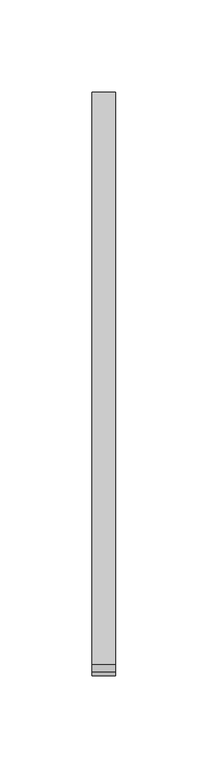
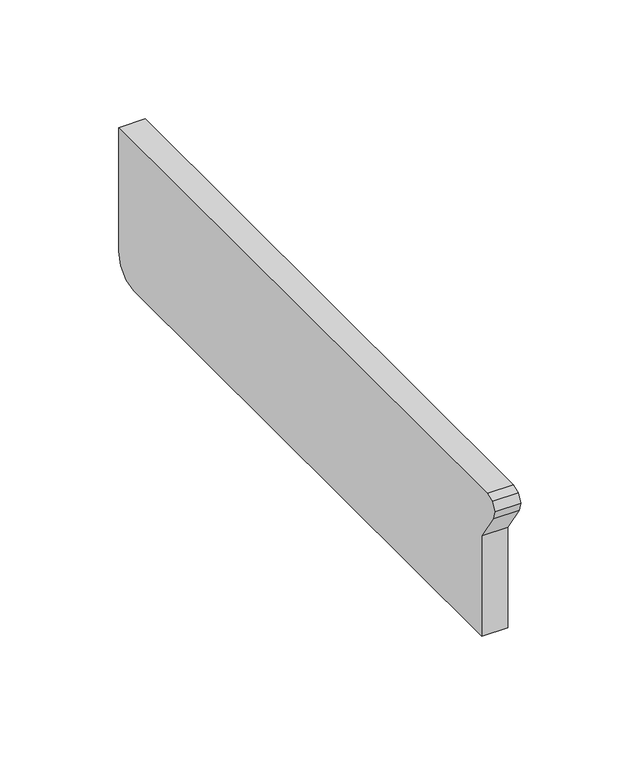
"""IFC4 building model written with IfcOpenShell, lengths in millimetres: furniture geometry."""

from ifc_helpers import new_model, si_unit, frame, origin, place, context, project, spatial, polyline, outline, extrude, source, transform, mapped, element, save


def furniture_332e236b(model_context):
    return source(origin(), model_context, "Body", "SweptSolid", [
        extrude(outline(polyline([(-34.4332919, 911.8203125), (-326.8573867, 911.8203125), (-326.8573867, 963.3644501), (-336.5789227, 977.9923817), (-337.6843422, 982.3717837), (-335.59875, 986.378198), (-331.377278, 987.9845861), (-21.75256, 987.9845861), (-21.75256, 924.4483941), (-23.4347672, 918.1703064), (-28.0832818, 913.5217918), (-34.4332919, 911.8203125)])), frame((12.3877049, 0.0, 0.0), z_axis=(1.0, 0.0, 0.0), x_axis=(0.0, 1.0, 0.0)), (0.0, 0.0, 1.0), 12.7),
    ])


if __name__ == "__main__":
    model = new_model("IFC4")
    model_context = context("Model", 3, world=origin())
    ifc_project = project(units=[si_unit("LENGTHUNIT", "METRE", prefix="MILLI")], contexts=[model_context])
    site = spatial("IfcSite", under=ifc_project)
    building = spatial("IfcBuilding", under=site)
    placement = place(None, origin())
    furniture_shape = furniture_332e236b(model_context)
    element("IfcFurniture", 1, at=placement, inside=building, context=model_context, shape_type="MappedRepresentation", body=[
        mapped(furniture_shape, transform((0.0, 0.0, 0.0), x_axis=(1.0, 0.0, 0.0), y_axis=(0.0, 1.0, 0.0), z_axis=(0.0, 0.0, 1.0))),
    ])
    save(model, "model.ifc")
